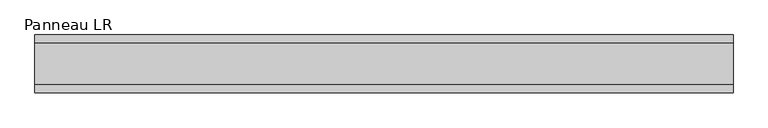
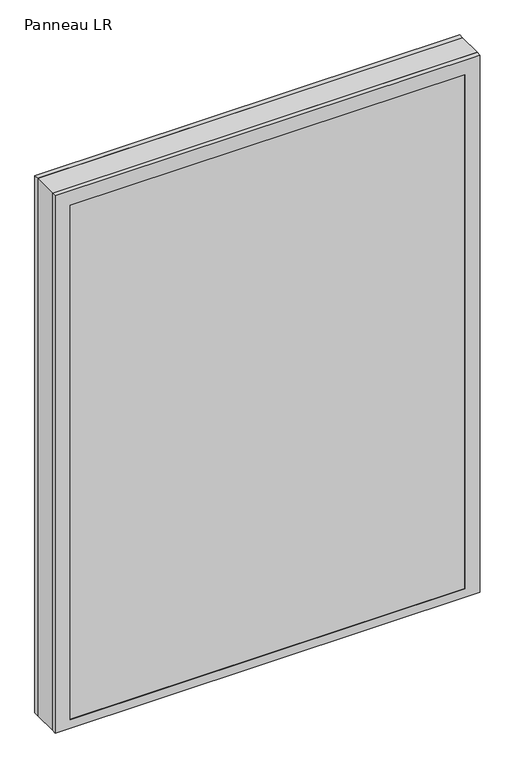
"""IFC4 building model written with IfcOpenShell, lengths in millimetres: plate geometry, Panneau LR."""

from ifc_helpers import new_model, si_unit, frame, origin, place, context, project, spatial, polyline, outline, extrude, faceted_brep, source, transform, mapped, element, save


def panneau_lr_1d28902f(model_context):
    return source(origin(), model_context, "Body", "SolidModel", [
        faceted_brep([(-544.1874999, 33.0, 1453.5), (-544.1874999, 45.0, 1453.5), (-544.1874999, 45.0, 0.0), (-544.1874999, 33.0, 0.0), (544.1874999, 33.0, 0.0), (544.1874999, 45.0, 0.0), (544.1874999, 45.0, 1453.5), (544.1874999, 33.0, 1453.5), (-505.1874999, 45.0, 1414.5), (-505.1874999, 45.0, 23.0), (505.1874999, 45.0, 23.0), (505.1874999, 45.0, 1414.5), (505.1874999, 43.8, 1414.5), (-505.1874999, 43.8, 1414.5), (-520.1874999, 43.8, 1429.5), (-520.1874999, 43.8, 8.0), (520.1874999, 43.8, 8.0), (520.1874999, 43.8, 1429.5), (505.1874999, 43.8, 23.0), (-505.1874999, 43.8, 23.0), (520.1874999, 33.0, 1429.5), (-520.1874999, 33.0, 1429.5), (520.1874999, 33.0, 8.0), (-520.1874999, 33.0, 8.0)], [[[0, 1, 2, 3]], [[4, 5, 6, 7]], [[6, 1, 0, 7]], [[2, 1, 6, 5], [8, 9, 10, 11]], [[8, 11, 12, 13]], [[14, 15, 16, 17], [13, 12, 18, 19]], [[14, 17, 20, 21]], [[0, 3, 4, 7], [20, 22, 23, 21]], [[23, 22, 16, 15]], [[19, 18, 10, 9]], [[4, 3, 2, 5]], [[21, 23, 15, 14]], [[13, 19, 9, 8]], [[18, 12, 11, 10]], [[22, 20, 17, 16]]]),
        faceted_brep([(-544.1874999, -33.0, 0.0), (-544.1874999, -45.0, 0.0), (-544.1874999, -45.0, 1453.5), (-544.1874999, -33.0, 1453.5), (544.1874999, -45.0, 0.0), (544.1874999, -33.0, 0.0), (544.1874999, -33.0, 1453.5), (544.1874999, -45.0, 1453.5), (505.1874999, -45.0, 1414.5), (505.1874999, -45.0, 23.0), (-505.1874999, -45.0, 23.0), (-505.1874999, -45.0, 1414.5), (-520.1874999, -33.0, 1429.5), (-520.1874999, -33.0, 8.0), (520.1874999, -33.0, 8.0), (520.1874999, -33.0, 1429.5), (520.1874999, -43.8, 1429.5), (-520.1874999, -43.8, 1429.5), (520.1874999, -43.8, 8.0), (-520.1874999, -43.8, 8.0), (-505.1874999, -43.8, 1414.5), (-505.1874999, -43.8, 23.0), (505.1874999, -43.8, 23.0), (505.1874999, -43.8, 1414.5)], [[[0, 1, 2, 3]], [[4, 5, 6, 7]], [[2, 1, 4, 7], [8, 9, 10, 11]], [[6, 3, 2, 7]], [[0, 3, 6, 5], [12, 13, 14, 15]], [[12, 15, 16, 17]], [[17, 16, 18, 19], [20, 21, 22, 23]], [[8, 11, 20, 23]], [[10, 9, 22, 21]], [[19, 18, 14, 13]], [[4, 1, 0, 5]], [[11, 10, 21, 20]], [[17, 19, 13, 12]], [[18, 16, 15, 14]], [[9, 8, 23, 22]]]),
        extrude(outline(polyline([(1453.5, 544.1874999), (1453.5, -544.1874999), (0.0, -544.1874999), (0.0, 544.1874999), (1453.5, 544.1874999)]), holes=[polyline([(30.0, -504.1874999), (1407.5, -504.1874999), (1407.5, 504.1874999), (30.0, 504.1874999), (30.0, -504.1874999)])]), frame((0.0, -33.0, 0.0), z_axis=(0.0, 1.0, 0.0), x_axis=(0.0, 0.0, 1.0)), (0.0, 0.0, 1.0), 66.0),
        extrude(outline(polyline([(520.1874999, 37.8), (-520.1874999, 37.8), (-520.1874999, 43.8), (520.1874999, 43.8), (520.1874999, 37.8)])), frame((0.0, 0.0, 8.0), z_axis=(0.0, 0.0, 1.0), x_axis=(1.0, 0.0, 0.0)), (0.0, 0.0, 1.0), 1421.5),
        extrude(outline(polyline([(-520.1874999, -43.8), (-520.1874999, -37.8), (520.1874999, -37.8), (520.1874999, -43.8), (-520.1874999, -43.8)])), frame((0.0, 0.0, 8.0), z_axis=(0.0, 0.0, 1.0), x_axis=(1.0, 0.0, 0.0)), (0.0, 0.0, 1.0), 1421.5),
    ])


if __name__ == "__main__":
    model = new_model("IFC4")
    model_context = context("Model", 3, world=origin())
    ifc_project = project(units=[si_unit("LENGTHUNIT", "METRE", prefix="MILLI")], contexts=[model_context])
    site = spatial("IfcSite", under=ifc_project)
    building = spatial("IfcBuilding", under=site)
    placement = place(None, origin())
    panneau_lr_shape = panneau_lr_1d28902f(model_context)
    element("IfcPlate", 1, ObjectType="Panneau LR", at=placement, inside=building, context=model_context, shape_type="MappedRepresentation", body=[
        mapped(panneau_lr_shape, transform((0.0, 0.0, 0.0), x_axis=(1.0, 0.0, 0.0), y_axis=(0.0, 1.0, 0.0), z_axis=(0.0, 0.0, 1.0))),
    ])
    save(model, "model.ifc")
